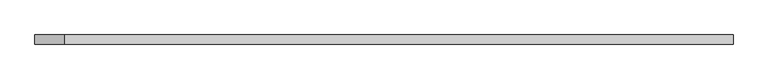
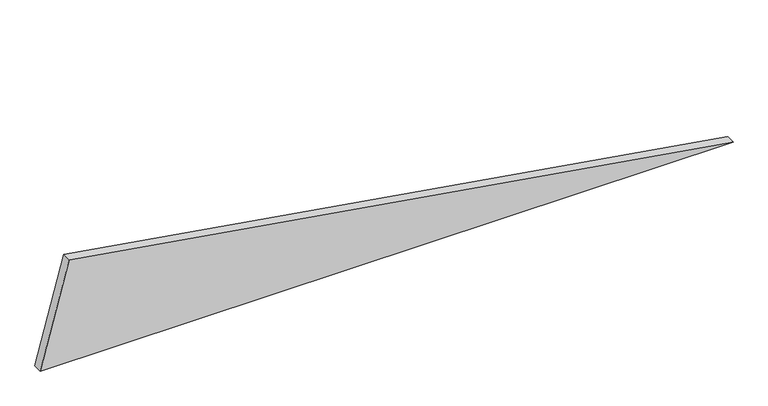
"""IFC4 building model written with IfcOpenShell, lengths in millimetres: plate geometry."""

from ifc_helpers import new_model, si_unit, frame, origin, place, context, project, spatial, polyline, outline, extrude, source, transform, mapped, element, save


def plate_0e2181ff(model_context):
    return source(origin(), model_context, "Body", "SweptSolid", [
        extrude(outline(polyline([(0.0, -953.983083), (0.0, 953.983083), (296.7269453, -874.4753376), (0.0, -953.983083)])), frame((0.0, 24.5, 0.0), z_axis=(0.0, 1.0, 0.0), x_axis=(0.0, 0.0, 1.0)), (0.0, 0.0, 1.0), 25.0),
    ])


if __name__ == "__main__":
    model = new_model("IFC4")
    model_context = context("Model", 3, world=origin())
    ifc_project = project(units=[si_unit("LENGTHUNIT", "METRE", prefix="MILLI")], contexts=[model_context])
    site = spatial("IfcSite", under=ifc_project)
    building = spatial("IfcBuilding", under=site)
    placement = place(None, origin())
    plate_shape = plate_0e2181ff(model_context)
    element("IfcPlate", 1, at=placement, inside=building, context=model_context, shape_type="MappedRepresentation", body=[
        mapped(plate_shape, transform((0.0, 0.0, 0.0), x_axis=(1.0, 0.0, 0.0), y_axis=(0.0, 1.0, 0.0), z_axis=(0.0, 0.0, 1.0))),
    ])
    save(model, "model.ifc")
